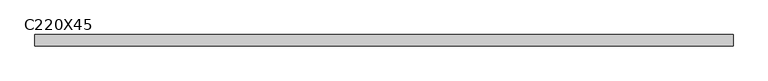
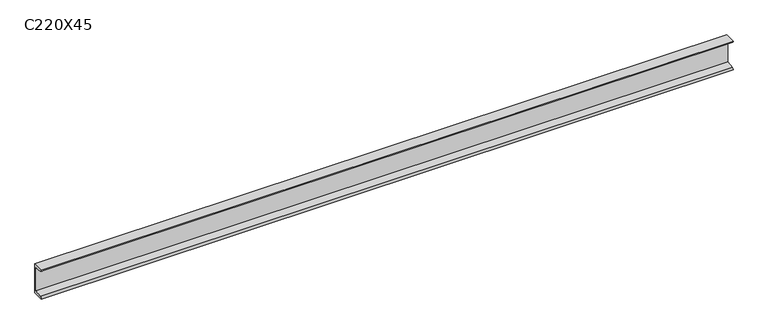
"""IFC4 building model written with IfcOpenShell, lengths in millimetres: beam geometry, C220X45."""

from ifc_helpers import new_model, si_unit, point, frame, frame_2d, origin, place, context, project, spatial, polyline, circle_curve, trimmed, segment, composite_curve, outline, extrude, source, transform, mapped, element, save


def c220x45_4b89d6db(model_context):
    return source(origin(), model_context, "Body", "SweptSolid", [
        extrude(outline(composite_curve([segment(polyline([(17.0, 110.0), (17.0, -110.0), (-64.0, -110.0)]), True, "CONTINUOUS"), segment(trimmed(circle_curve(frame_2d((-51.0, -110.0)), 13.0), [point((-64.0, -110.0))], [point((-51.0, -97.0))], False, "CARTESIAN"), True, "CONTINUOUS"), segment(polyline([(-51.0, -97.0), (4.0, -88.2888558), (4.0, 88.2888558), (-51.0, 97.0)]), True, "CONTINUOUS"), segment(trimmed(circle_curve(frame_2d((-51.0, 110.0)), 13.0), [point((-51.0, 97.0))], [point((-64.0, 110.0))], False, "CARTESIAN"), True, "CONTINUOUS"), segment(polyline([(-64.0, 110.0), (17.0, 110.0)]), True, "CONTINUOUS")], self_intersect=False)), frame((-2509.5, 0.0, 0.0), z_axis=(1.0, 0.0, 0.0), x_axis=(0.0, 1.0, 0.0)), (0.0, 0.0, 1.0), 5019.0),
    ])


if __name__ == "__main__":
    model = new_model("IFC4")
    model_context = context("Model", 3, world=origin())
    ifc_project = project(units=[si_unit("LENGTHUNIT", "METRE", prefix="MILLI")], contexts=[model_context])
    site = spatial("IfcSite", under=ifc_project)
    building = spatial("IfcBuilding", under=site)
    placement = place(None, origin())
    c220x45_shape = c220x45_4b89d6db(model_context)
    element("IfcBeam", 1, ObjectType="C220X45", at=placement, inside=building, context=model_context, shape_type="MappedRepresentation", body=[
        mapped(c220x45_shape, transform((0.0, 0.0, 0.0), x_axis=(1.0, 0.0, 0.0), y_axis=(0.0, 1.0, 0.0), z_axis=(0.0, 0.0, 1.0))),
    ])
    save(model, "model.ifc")
